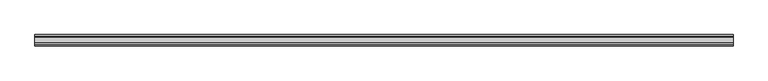
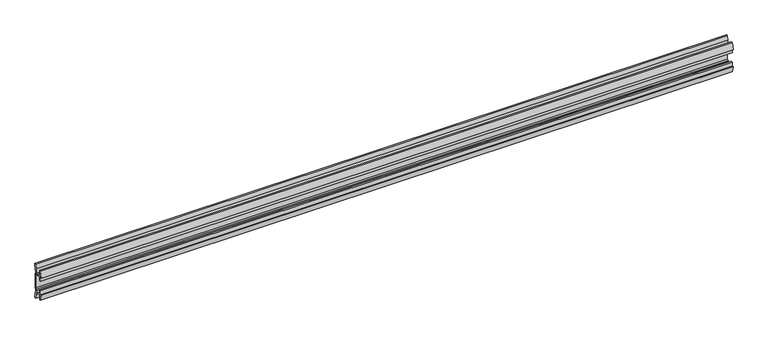
"""IFC4 building model written with IfcOpenShell, lengths in millimetres: furniture geometry."""

from ifc_helpers import new_model, si_unit, point, frame, frame_2d, origin, place, context, project, spatial, polyline, circle_curve, trimmed, segment, composite_curve, outline, extrude, source, transform, mapped, element, save


def furniture_5a18894a(model_context):
    return source(origin(), model_context, "Body", "SweptSolid", [
        extrude(outline(composite_curve([segment(polyline([(11.858323, 875.9865986), (10.7166987, 870.0271626)]), True, "CONTINUOUS"), segment(trimmed(circle_curve(frame_2d((88.1501042, 855.193568)), 78.8414093), [point((10.7166987, 870.0271626))], [point((9.4546262, 859.9883112))], True, "CARTESIAN"), True, "CONTINUOUS"), segment(polyline([(9.4546262, 859.9883112), (11.4773198, 857.9656177), (11.4773198, 825.0383823), (9.4546262, 823.0156888)]), True, "CONTINUOUS"), segment(trimmed(circle_curve(frame_2d((88.1501042, 827.810432)), 78.8414093), [point((9.4546262, 823.0156888))], [point((10.7166987, 812.9768374))], True, "CARTESIAN"), True, "CONTINUOUS"), segment(polyline([(10.7166987, 812.9768374), (11.858323, 807.0174014), (11.858323, 803.4026449), (9.3183016, 803.4026449), (7.5671861, 812.543709), (6.9977776, 819.2374675), (-5.9218281, 819.2374675), (-5.9218281, 808.6725449), (-8.4618484, 808.6725449), (-11.7914971, 822.1810462), (-8.4618484, 821.1821511), (-8.4618484, 830.7072306), (-5.9218281, 830.7072306), (-5.9218281, 821.817155), (6.7782802, 821.817155), (6.7782802, 824.371689), (8.8976323, 826.2140136), (8.8976323, 856.7930348), (6.7782802, 858.6474685), (-5.2868484, 858.6474685), (-5.2868484, 852.2974144), (-8.4618484, 852.2974144), (-8.4618484, 861.8224939), (-11.858323, 860.5524837), (-8.4618484, 874.3321), (-5.2868484, 874.3321), (-5.2868484, 861.1874899), (6.7782802, 861.1874899), (7.5671861, 870.4615809), (9.3183016, 879.6026449), (11.858323, 879.6026449), (11.858323, 875.9865986)]), True, "CONTINUOUS")], self_intersect=False)), frame((-736.6, 0.0, 0.0), z_axis=(1.0, 0.0, 0.0), x_axis=(0.0, 1.0, 0.0)), (0.0, 0.0, 1.0), 1473.2),
    ])


if __name__ == "__main__":
    model = new_model("IFC4")
    model_context = context("Model", 3, world=origin())
    ifc_project = project(units=[si_unit("LENGTHUNIT", "METRE", prefix="MILLI")], contexts=[model_context])
    site = spatial("IfcSite", under=ifc_project)
    building = spatial("IfcBuilding", under=site)
    placement = place(None, origin())
    furniture_shape = furniture_5a18894a(model_context)
    element("IfcFurniture", 1, at=placement, inside=building, context=model_context, shape_type="MappedRepresentation", body=[
        mapped(furniture_shape, transform((0.0, 0.0, 0.0), x_axis=(1.0, 0.0, 0.0), y_axis=(0.0, 1.0, 0.0), z_axis=(0.0, 0.0, 1.0))),
    ])
    save(model, "model.ifc")
